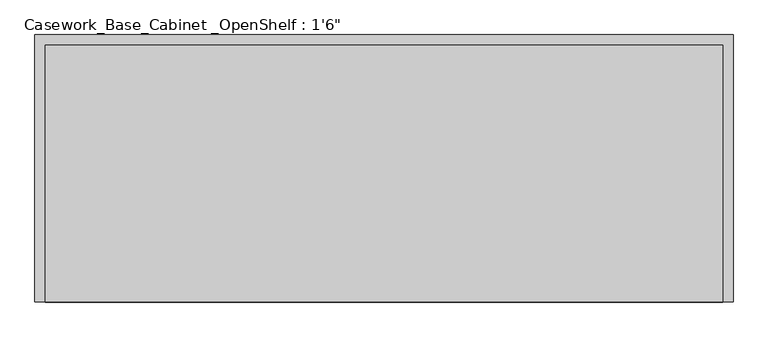
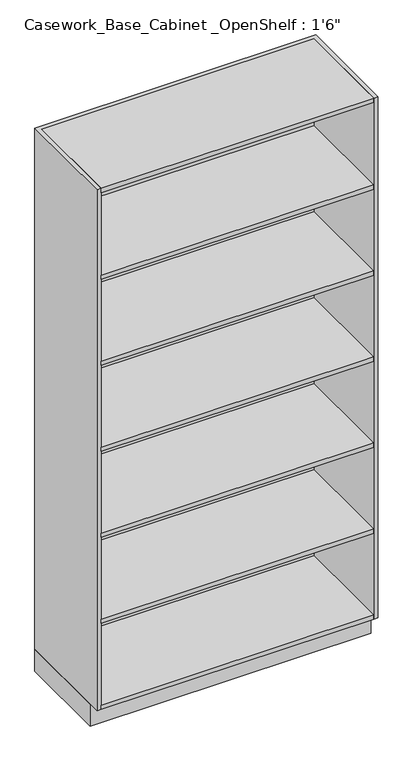
"""IFC4 building model written with IfcOpenShell, lengths in millimetres: furniture geometry."""

from ifc_helpers import new_model, si_unit, frame, origin, origin_with_axes, place, context, project, spatial, polyline, outline, extrude, source, transform, mapped, element, save


def furniture_c0f89028(model_context):
    return source(origin(), model_context, "Body", "SweptSolid", [
        extrude(outline(polyline([(623.6003264, -18.0), (623.6003264, -457.2), (-534.1996736, -457.2), (-534.1996736, -18.0), (623.6003264, -18.0)])), frame((0.0, 0.0, 1643.7333333), z_axis=(0.0, 0.0, 1.0), x_axis=(1.0, 0.0, 0.0)), (0.0, 0.0, 1.0), 19.0),
        extrude(outline(polyline([(623.6003264, -18.0), (623.6003264, -457.2), (-534.1996736, -457.2), (-534.1996736, -18.0), (623.6003264, -18.0)])), frame((0.0, 0.0, 1257.8), z_axis=(0.0, 0.0, 1.0), x_axis=(1.0, 0.0, 0.0)), (0.0, 0.0, 1.0), 19.0),
        extrude(outline(polyline([(623.6003264, -18.0), (623.6003264, -457.2), (-534.1996736, -457.2), (-534.1996736, -18.0), (623.6003264, -18.0)])), frame((0.0, 0.0, 871.8666667), z_axis=(0.0, 0.0, 1.0), x_axis=(1.0, 0.0, 0.0)), (0.0, 0.0, 1.0), 19.0),
        extrude(outline(polyline([(623.6003264, -18.0), (623.6003264, -457.2), (-534.1996736, -457.2), (-534.1996736, -18.0), (623.6003264, -18.0)])), frame((0.0, 0.0, 485.9333333), z_axis=(0.0, 0.0, 1.0), x_axis=(1.0, 0.0, 0.0)), (0.0, 0.0, 1.0), 19.0),
        extrude(outline(polyline([(623.6003264, -18.0), (623.6003264, -457.2), (-534.1996736, -457.2), (-534.1996736, -18.0), (623.6003264, -18.0)])), frame((0.0, 0.0, 2029.6666667), z_axis=(0.0, 0.0, 1.0), x_axis=(1.0, 0.0, 0.0)), (0.0, 0.0, 1.0), 19.0),
        extrude(outline(polyline([(623.6003264, -18.0), (623.6003264, -457.2), (-534.1996736, -457.2), (-534.1996736, -18.0), (623.6003264, -18.0)])), frame((0.0, 0.0, 100.0), z_axis=(0.0, 0.0, 1.0), x_axis=(1.0, 0.0, 0.0)), (0.0, 0.0, 1.0), 19.0),
        extrude(outline(polyline([(623.6003264, -18.0), (623.6003264, -457.2), (-534.1996736, -457.2), (-534.1996736, -18.0), (623.6003264, -18.0)])), frame((0.0, 0.0, 2419.4), z_axis=(0.0, 0.0, 1.0), x_axis=(1.0, 0.0, 0.0)), (0.0, 0.0, 1.0), 19.0),
        extrude(outline(polyline([(623.6003264, -18.0), (623.6003264, -457.2), (-534.1996736, -457.2), (-534.1996736, -18.0), (623.6003264, -18.0)])), frame((0.0, 0.0, 100.0), z_axis=(0.0, 0.0, 1.0), x_axis=(1.0, 0.0, 0.0)), (0.0, 0.0, 1.0), 19.0),
        extrude(outline(polyline([(641.6003264, 0.0), (641.6003264, -457.2), (623.6003264, -457.2), (623.6003264, -18.0), (-534.1996736, -18.0), (-534.1996736, -457.2), (-552.1996736, -457.2), (-552.1996736, 0.0), (641.6003264, 0.0)])), frame((0.0, 0.0, 100.0), z_axis=(0.0, 0.0, 1.0), x_axis=(1.0, 0.0, 0.0)), (0.0, 0.0, 1.0), 2338.4),
        extrude(outline(polyline([(641.6003264, 0.0), (641.6003264, -407.2), (-552.1996736, -407.2), (-552.1996736, 0.0), (641.6003264, 0.0)]), holes=[polyline([(626.6003264, -15.0), (-537.1996736, -15.0), (-537.1996736, -391.2), (626.6003264, -391.2), (626.6003264, -15.0)])]), origin_with_axes(), (0.0, 0.0, 1.0), 100.0),
    ])


if __name__ == "__main__":
    model = new_model("IFC4")
    model_context = context("Model", 3, world=origin())
    ifc_project = project(units=[si_unit("LENGTHUNIT", "METRE", prefix="MILLI")], contexts=[model_context])
    site = spatial("IfcSite", under=ifc_project)
    building = spatial("IfcBuilding", under=site)
    placement = place(None, origin())
    furniture_shape = furniture_c0f89028(model_context)
    element("IfcFurniture", 1, ObjectType="Casework_Base_Cabinet _OpenShelf : 1'6\"", at=placement, inside=building, context=model_context, shape_type="MappedRepresentation", body=[
        mapped(furniture_shape, transform((0.0, 0.0, 0.0), x_axis=(1.0, 0.0, 0.0), y_axis=(0.0, 1.0, 0.0), z_axis=(0.0, 0.0, 1.0))),
    ])
    save(model, "model.ifc")
